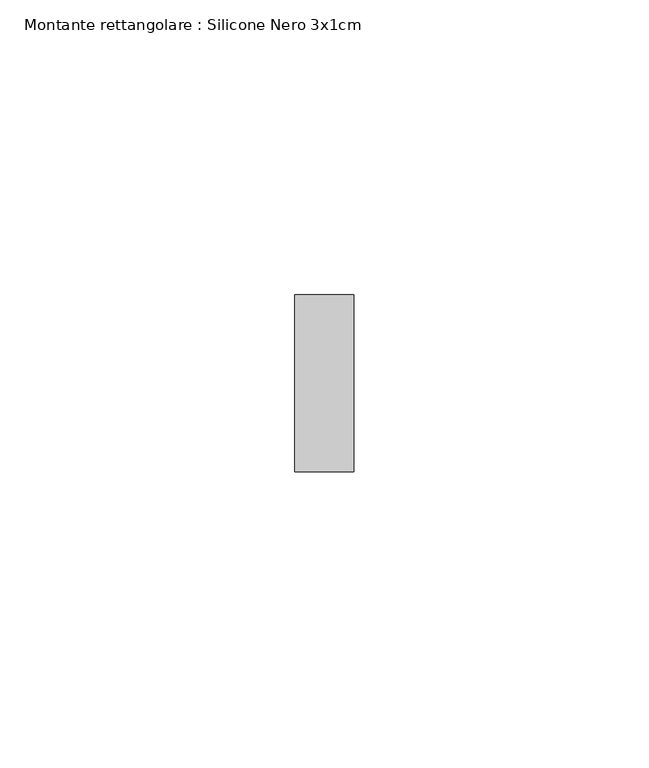
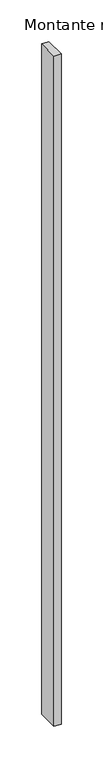
"""IFC4 building model written with IfcOpenShell, lengths in millimetres: member geometry, Montante rettangolare : Silicone Nero 3x1cm."""

from ifc_helpers import new_model, si_unit, frame, origin, place, context, project, spatial, polyline, outline, extrude, source, transform, mapped, element, save


def montante_rettangolare_silicone_nero_3x1cm_1138f1b9(model_context):
    return source(origin(), model_context, "Body", "SweptSolid", [
        extrude(outline(polyline([(0.0, 30.0), (0.0, 0.0), (-10.0, 0.0), (-10.0, 30.0), (0.0, 30.0)])), frame((0.0, 0.0, -985.0), z_axis=(0.0, 0.0, 1.0), x_axis=(1.0, 0.0, 0.0)), (0.0, 0.0, 1.0), 985.0),
    ])


if __name__ == "__main__":
    model = new_model("IFC4")
    model_context = context("Model", 3, world=origin())
    ifc_project = project(units=[si_unit("LENGTHUNIT", "METRE", prefix="MILLI")], contexts=[model_context])
    site = spatial("IfcSite", under=ifc_project)
    building = spatial("IfcBuilding", under=site)
    placement = place(None, origin())
    montante_rettangolare_silicone_nero_3x1cm_shape = montante_rettangolare_silicone_nero_3x1cm_1138f1b9(model_context)
    element("IfcMember", 1, ObjectType="Montante rettangolare : Silicone Nero 3x1cm", at=placement, inside=building, context=model_context, shape_type="MappedRepresentation", body=[
        mapped(montante_rettangolare_silicone_nero_3x1cm_shape, transform((0.0, 0.0, 0.0), x_axis=(1.0, 0.0, 0.0), y_axis=(0.0, 1.0, 0.0), z_axis=(0.0, 0.0, 1.0))),
    ])
    save(model, "model.ifc")
